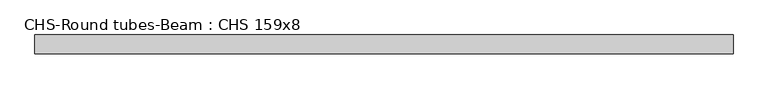
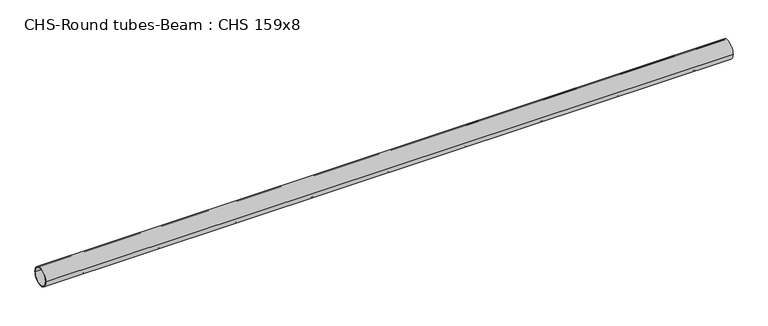
"""IFC4 building model written with IfcOpenShell, lengths in millimetres: beam geometry, CHS-Round tubes-Beam : CHS 159x8."""

from ifc_helpers import new_model, si_unit, point, frame, origin, origin_2d, place, context, project, spatial, circle_curve, trimmed, segment, composite_curve, outline, extrude, source, transform, mapped, element, save


def chs_round_tubes_beam_chs_159x8_19ee90fd(model_context):
    return source(origin(), model_context, "Body", "SweptSolid", [
        extrude(outline(composite_curve([segment(trimmed(circle_curve(origin_2d(), 79.5), [point((79.5, 0.0))], [point((-79.5, 0.0))], False, "CARTESIAN"), True, "CONTINUOUS"), segment(trimmed(circle_curve(origin_2d(), 79.5), [point((-79.5, 0.0))], [point((79.5, 0.0))], False, "CARTESIAN"), True, "CONTINUOUS")], self_intersect=False), holes=[composite_curve([segment(trimmed(circle_curve(origin_2d(), 71.5), [point((71.5, 0.0))], [point((-71.5, 0.0))], True, "CARTESIAN"), True, "CONTINUOUS"), segment(trimmed(circle_curve(origin_2d(), 71.5), [point((-71.5, 0.0))], [point((71.5, 0.0))], True, "CARTESIAN"), True, "CONTINUOUS")], self_intersect=False)]), frame((-2941.4329537, 0.0, 0.0), z_axis=(1.0, 0.0, 0.0), x_axis=(0.0, 1.0, 0.0)), (0.0, 0.0, 1.0), 5882.8659073),
    ])


if __name__ == "__main__":
    model = new_model("IFC4")
    model_context = context("Model", 3, world=origin())
    ifc_project = project(units=[si_unit("LENGTHUNIT", "METRE", prefix="MILLI")], contexts=[model_context])
    site = spatial("IfcSite", under=ifc_project)
    building = spatial("IfcBuilding", under=site)
    placement = place(None, origin())
    chs_round_tubes_beam_chs_159x8_shape = chs_round_tubes_beam_chs_159x8_19ee90fd(model_context)
    element("IfcBeam", 1, ObjectType="CHS-Round tubes-Beam : CHS 159x8", at=placement, inside=building, context=model_context, shape_type="MappedRepresentation", body=[
        mapped(chs_round_tubes_beam_chs_159x8_shape, transform((0.0, 0.0, 0.0), x_axis=(1.0, 0.0, 0.0), y_axis=(0.0, 1.0, 0.0), z_axis=(0.0, 0.0, 1.0))),
    ])
    save(model, "model.ifc")
